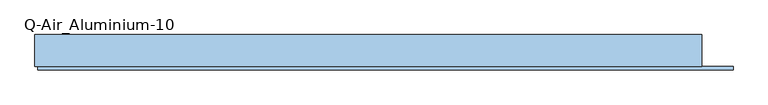
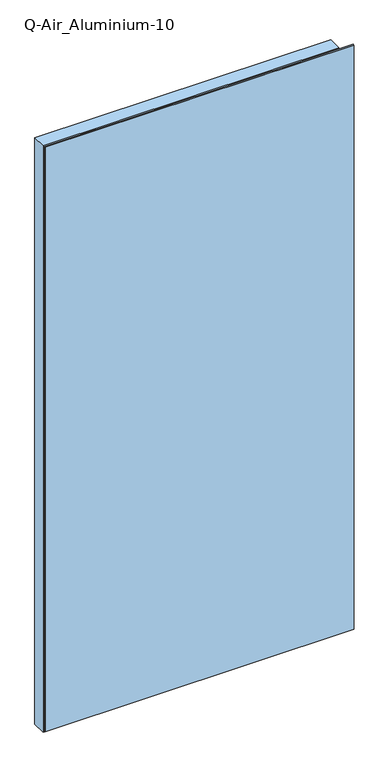
"""IFC4 building model written with IfcOpenShell, lengths in millimetres: window geometry, Q-Air_Aluminium-10."""

from ifc_helpers import new_model, si_unit, frame, origin, place, context, project, spatial, polyline, outline, extrude, source, transform, mapped, element, save


def q_air_aluminium_10_1320ec7f(model_context):
    return source(origin(), model_context, "Body", "SweptSolid", [
        extrude(outline(polyline([(5020.0, 1200.0), (5020.0, -1200.0), (0.0, -1200.0), (0.0, 1200.0), (5020.0, 1200.0)]), holes=[polyline([(4962.0, 1142.0), (58.0, 1142.0), (58.0, -1142.0), (4962.0, -1142.0), (4962.0, 1142.0)])]), frame((0.0, -114.5, 0.0), z_axis=(0.0, 1.0, 0.0), x_axis=(0.0, 0.0, 1.0)), (0.0, 0.0, 1.0), 114.5),
        extrude(outline(polyline([(1142.0, 0.0), (1142.0, -12.5), (-1142.0, -12.5), (-1142.0, 0.0), (1142.0, 0.0)])), frame((0.0, 0.0, 58.0), z_axis=(0.0, 0.0, 1.0), x_axis=(1.0, 0.0, 0.0)), (0.0, 0.0, 1.0), 4904.0),
        extrude(outline(polyline([(1312.4, -114.5), (1312.4, -127.0), (-1190.0, -127.0), (-1190.0, -114.5), (1312.4, -114.5)])), frame((0.0, 0.0, 10.0), z_axis=(0.0, 0.0, 1.0), x_axis=(1.0, 0.0, 0.0)), (0.0, 0.0, 1.0), 5000.0),
        extrude(outline(polyline([(5010.0, 1312.4), (5010.0, -1190.0), (10.0, -1190.0), (10.0, 1312.4), (5010.0, 1312.4)]), holes=[polyline([(4962.0, 1142.0), (58.0, 1142.0), (58.0, -1142.0), (4962.0, -1142.0), (4962.0, 1142.0)])]), frame((0.0, -118.5, 0.0), z_axis=(0.0, 1.0, 0.0), x_axis=(0.0, 0.0, 1.0)), (0.0, 0.0, 1.0), 4.0),
    ])


if __name__ == "__main__":
    model = new_model("IFC4")
    model_context = context("Model", 3, world=origin())
    ifc_project = project(units=[si_unit("LENGTHUNIT", "METRE", prefix="MILLI")], contexts=[model_context])
    site = spatial("IfcSite", under=ifc_project)
    building = spatial("IfcBuilding", under=site)
    placement = place(None, origin())
    q_air_aluminium_10_shape = q_air_aluminium_10_1320ec7f(model_context)
    element("IfcWindow", 1, ObjectType="Q-Air_Aluminium-10", at=placement, inside=building, context=model_context, shape_type="MappedRepresentation", body=[
        mapped(q_air_aluminium_10_shape, transform((0.0, 0.0, 0.0), x_axis=(1.0, 0.0, 0.0), y_axis=(0.0, 1.0, 0.0), z_axis=(0.0, 0.0, 1.0))),
    ])
    save(model, "model.ifc")
